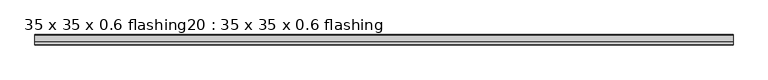
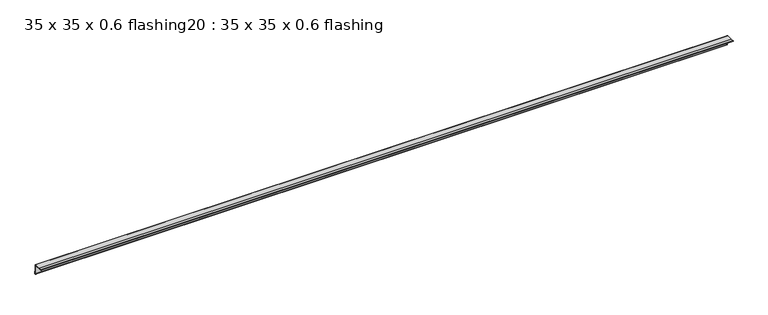
"""IFC4 building model written with IfcOpenShell, lengths in millimetres: proxy geometry, 35 x 35 x 0.6 flashing20 : 35 x 35 x 0.6 flashing."""

import ifcopenshell
import ifcopenshell.guid

model = None  # the IFC model being written
_history = None  # IfcOwnerHistory: only IFC2X3 demands one
_inside = {}  # id of a spatial element -> (the spatial element, [elements in it])
_under = {}  # id of a project, library or spatial element -> (it, [spatial elements below it])
_declared = {}  # id of a project -> (the project, [libraries it declares])
_typed = {}  # id of a type object -> (the type object, [elements of that type])
_made_of = {}  # id of a material, layer set ... -> (it, [elements and type objects made of it])


def new_model(schema):
    """Start an empty IFC model of exactly this schema.

    Asked for "IFC4X3", IfcOpenShell would pick the latest addendum, in which some entities
    have other attributes; the version numbers below select the first issue.
    IFC2X3 requires an IfcOwnerHistory on every rooted entity: one is made here for all.
    """
    global model, _history
    if schema == "IFC4X3":
        model = ifcopenshell.file(schema_version=(4, 3, 0, 0))
    else:
        model = ifcopenshell.file(schema=schema)
    _inside.clear()
    _under.clear()
    _declared.clear()
    _typed.clear()
    _made_of.clear()
    _history = None
    if model.schema == "IFC2X3":
        org = make("IfcOrganization", Name="unknown")
        user = make(
            "IfcPersonAndOrganization",
            ThePerson=make("IfcPerson", FamilyName="unknown"),
            TheOrganization=org,
        )
        app = make(
            "IfcApplication",
            ApplicationDeveloper=org,
            Version="unknown",
            ApplicationFullName="unknown",
            ApplicationIdentifier="unknown",
        )
        _history = make(
            "IfcOwnerHistory",
            OwningUser=user,
            OwningApplication=app,
            ChangeAction="ADDED",
            CreationDate=0,
        )
    return model


def make(cls, **values):
    """One entity of the class cls with the attributes given. An attribute that is None is left unset."""
    return model.create_entity(
        cls, **{name: value for name, value in values.items() if value is not None}
    )


def rooted(cls, **values):
    """An entity with a GlobalId (a new one), such as an element, a storey or a relation."""
    return make(cls, GlobalId=ifcopenshell.guid.new(), OwnerHistory=_history, **values)


def si_unit(unit_type, name, prefix=None):
    """IfcSIUnit, for example si_unit("LENGTHUNIT", "METRE", prefix="MILLI")."""
    return make("IfcSIUnit", UnitType=unit_type, Prefix=prefix, Name=name)


def assignment(units):
    """IfcUnitAssignment: the units of a project."""
    return None if units is None else make("IfcUnitAssignment", Units=units)


def point(xyz):
    """IfcCartesianPoint."""
    return None if xyz is None else make("IfcCartesianPoint", Coordinates=xyz)


def direction(xyz):
    """IfcDirection."""
    return None if xyz is None else make("IfcDirection", DirectionRatios=xyz)


def frame(location, z_axis=None, x_axis=None):
    """IfcAxis2Placement3D, a coordinate frame: its origin and axes. An axis left out is left unset."""
    return make(
        "IfcAxis2Placement3D",
        Location=point(location),
        Axis=direction(z_axis),
        RefDirection=direction(x_axis),
    )


def frame_2d(location, x_axis=None):
    """IfcAxis2Placement2D, a coordinate frame in the plane: its origin and x axis."""
    return make(
        "IfcAxis2Placement2D", Location=point(location), RefDirection=direction(x_axis)
    )


def origin():
    """The frame at (0, 0, 0) with its axes left unset."""
    return frame((0.0, 0.0, 0.0))


def place(relative_to, where):
    """IfcLocalPlacement: puts the frame where relative to a parent placement (None: the world)."""
    return make(
        "IfcLocalPlacement", PlacementRelTo=relative_to, RelativePlacement=where
    )


def context(
    kind, dimensions, precision=None, world=None, true_north=None, identifier=None
):
    """IfcGeometricRepresentationContext, for example the 3D "Model" context."""
    return make(
        "IfcGeometricRepresentationContext",
        ContextIdentifier=identifier,
        ContextType=kind,
        CoordinateSpaceDimension=dimensions,
        Precision=precision,
        WorldCoordinateSystem=world,
        TrueNorth=true_north,
    )


def project(units=None, contexts=None):
    """IfcProject with its units and contexts."""
    return rooted(
        "IfcProject",
        Name="project",
        RepresentationContexts=contexts,
        UnitsInContext=assignment(units),
    )


def spatial(cls, under=None, at=None, **own):
    """A site, building, storey or space (cls), placed at a placement, below another one or the project."""
    s = rooted(cls, ObjectPlacement=at, **own)
    if under is not None:
        _under.setdefault(under.id(), (under, []))[1].append(s)
    return s


def polyline(points):
    """IfcPolyline through the points."""
    return make("IfcPolyline", Points=[point(p) for p in points])


def circle_curve(where, radius):
    """IfcCircle in the frame where."""
    return make("IfcCircle", Position=where, Radius=radius)


def trimmed(basis, trim1, trim2, sense, master):
    """IfcTrimmedCurve: the piece of a basis curve between two trims."""
    return make(
        "IfcTrimmedCurve",
        BasisCurve=basis,
        Trim1=trim1,
        Trim2=trim2,
        SenseAgreement=sense,
        MasterRepresentation=master,
    )


def segment(curve, same_sense, transition):
    """IfcCompositeCurveSegment."""
    return make(
        "IfcCompositeCurveSegment",
        Transition=transition,
        SameSense=same_sense,
        ParentCurve=curve,
    )


def composite_curve(segments, self_intersect=None):
    """IfcCompositeCurve: segments joined end to end."""
    return make("IfcCompositeCurve", Segments=segments, SelfIntersect=self_intersect)


def outline(outer, holes=None, kind="AREA"):
    """IfcArbitraryClosedProfileDef: a profile drawn as a closed curve; with holes, ...WithVoids."""
    if holes is None:
        return make("IfcArbitraryClosedProfileDef", ProfileType=kind, OuterCurve=outer)
    return make(
        "IfcArbitraryProfileDefWithVoids",
        ProfileType=kind,
        OuterCurve=outer,
        InnerCurves=holes,
    )


def extrude(swept, where, along, depth):
    """IfcExtrudedAreaSolid: the profile swept, set in the frame where, extruded along a direction by depth."""
    return make(
        "IfcExtrudedAreaSolid",
        SweptArea=swept,
        Position=where,
        ExtrudedDirection=direction(along),
        Depth=depth,
    )


def shape(context_of_items, identifier, shape_type, items):
    """IfcShapeRepresentation: the items that make up one representation, for example the "Body"."""
    return make(
        "IfcShapeRepresentation",
        ContextOfItems=context_of_items,
        RepresentationIdentifier=identifier,
        RepresentationType=shape_type,
        Items=items,
    )


def source(mapping_origin, context_of_items, identifier, shape_type, items):
    """IfcRepresentationMap: a shape defined once, which mapped items show again and again."""
    return make(
        "IfcRepresentationMap",
        MappingOrigin=mapping_origin,
        MappedRepresentation=shape(context_of_items, identifier, shape_type, items),
    )


def transform(
    local_origin,
    x_axis=None,
    y_axis=None,
    z_axis=None,
    scale=None,
    scale2=None,
    scale3=None,
    uniform=True,
):
    """IfcCartesianTransformationOperator3D, or its non-uniform kind. x_axis, y_axis, z_axis: its Axis1, 2, 3."""
    if uniform:
        return make(
            "IfcCartesianTransformationOperator3D",
            Axis1=direction(x_axis),
            Axis2=direction(y_axis),
            LocalOrigin=point(local_origin),
            Scale=scale,
            Axis3=direction(z_axis),
        )
    return make(
        "IfcCartesianTransformationOperator3DnonUniform",
        Axis1=direction(x_axis),
        Axis2=direction(y_axis),
        LocalOrigin=point(local_origin),
        Scale=scale,
        Axis3=direction(z_axis),
        Scale2=scale2,
        Scale3=scale3,
    )


def mapped(mapping_source, mapping_target):
    """IfcMappedItem: shows the shape of a source again, moved by a transform."""
    return make(
        "IfcMappedItem", MappingSource=mapping_source, MappingTarget=mapping_target
    )


def made_of(thing, what):
    """Note that an element or type object is made of a material, layer set ...; save() writes the relation."""
    if what is not None:
        _made_of.setdefault(what.id(), (what, []))[1].append(thing)
    return thing


def element(
    cls,
    number,
    at=None,
    inside=None,
    cuts=None,
    type_object=None,
    material=None,
    context=None,
    identifier="Body",
    shape_type=None,
    held_by="IfcProductDefinitionShape",
    body=None,
    shapes=None,
    **own,
):
    """One element of the class cls, such as IfcWall. Its Tag is "e" and its number.

    at: its placement. inside: the storey or other place that contains it. cuts: it is an
    opening in that element (IfcRelVoidsElement). A single representation is given by context,
    identifier, shape_type and body (its items); several are given by shapes. held_by: the class
    of the entity that holds the representations. save() writes the other relations.
    """
    e = rooted(cls, Tag="e%d" % number, ObjectPlacement=at, **own)
    if body is not None:
        shapes = [shape(context, identifier, shape_type, body)]
    if shapes is not None:
        e.Representation = make(held_by, Representations=shapes)
    if inside is not None:
        _inside.setdefault(inside.id(), (inside, []))[1].append(e)
    if cuts is not None:
        rooted(
            "IfcRelVoidsElement", RelatingBuildingElement=cuts, RelatedOpeningElement=e
        )
    if type_object is not None:
        _typed.setdefault(type_object.id(), (type_object, []))[1].append(e)
    return made_of(e, material)


def aggregate(whole, parts):
    """IfcRelAggregates: a whole, such as a stair, and the parts it consists of."""
    return rooted("IfcRelAggregates", RelatingObject=whole, RelatedObjects=parts)


def save(model, path):
    """Write the relations noted so far, then the file.

    IfcRelAggregates (storeys below a building ...), IfcRelContainedInSpatialStructure (elements
    in a storey), IfcRelDefinesByType, IfcRelAssociatesMaterial and IfcRelDeclares: one each for
    every whole, place, type object, material and project.
    """
    for whole, parts in _under.values():
        aggregate(whole, parts)
    for where, things in _inside.values():
        rooted(
            "IfcRelContainedInSpatialStructure",
            RelatedElements=things,
            RelatingStructure=where,
        )
    for kind, things in _typed.values():
        rooted("IfcRelDefinesByType", RelatedObjects=things, RelatingType=kind)
    for what, things in _made_of.values():
        rooted("IfcRelAssociatesMaterial", RelatedObjects=things, RelatingMaterial=what)
    for by, libraries in _declared.values():
        rooted("IfcRelDeclares", RelatingContext=by, RelatedDefinitions=libraries)
    model.write(path)


def proxy_35_x_35_x_0_6_flashing20_35_x_35_x_0_6_flashing_ebd32110(model_context):
    return source(origin(), model_context, "Body", "SweptSolid", [
        extrude(outline(composite_curve([segment(polyline([(-10430.3538523, 1425.3887139), (-10407.8538523, 1425.3887139)]), True, "CONTINUOUS"), segment(trimmed(circle_curve(frame_2d((-10407.8538523, 1422.8887139)), 2.5), [point((-10407.8538523, 1425.3887139))], [point((-10405.3538523, 1422.8887139))], False, "CARTESIAN"), True, "CONTINUOUS"), segment(polyline([(-10405.3538523, 1422.8887139), (-10405.3538523, 1400.3887139), (-10404.3538523, 1400.3887139), (-10404.3538523, 1391.3560365)]), True, "CONTINUOUS"), segment(trimmed(circle_curve(frame_2d((-10405.3538523, 1391.3560365)), 1.0), [point((-10404.3538523, 1391.3560365))], [point((-10406.3538523, 1391.3560365))], False, "CARTESIAN"), True, "CONTINUOUS"), segment(polyline([(-10406.3538523, 1391.3560365), (-10406.3538523, 1422.8887139)]), True, "CONTINUOUS"), segment(trimmed(circle_curve(frame_2d((-10407.8538523, 1422.8887139)), 1.5), [point((-10406.3538523, 1422.8887139))], [point((-10407.8538523, 1424.3887139))], True, "CARTESIAN"), True, "CONTINUOUS"), segment(polyline([(-10407.8538523, 1424.3887139), (-10439.3556364, 1424.3887139)]), True, "CONTINUOUS"), segment(trimmed(circle_curve(frame_2d((-10439.3556364, 1425.3887139)), 1.0), [point((-10439.3556364, 1424.3887139))], [point((-10439.3556364, 1426.3887139))], False, "CARTESIAN"), True, "CONTINUOUS"), segment(polyline([(-10439.3556364, 1426.3887139), (-10430.3538523, 1426.3887139), (-10430.3538523, 1425.3887139)]), True, "CONTINUOUS")], self_intersect=False)), frame((-10619.6640929, 0.0, 0.0), z_axis=(1.0, 0.0, 0.0), x_axis=(0.0, 1.0, 0.0)), (0.0, 0.0, 1.0), 2410.6438934),
    ])


if __name__ == "__main__":
    model = new_model("IFC4")
    model_context = context("Model", 3, world=origin())
    ifc_project = project(units=[si_unit("LENGTHUNIT", "METRE", prefix="MILLI")], contexts=[model_context])
    site = spatial("IfcSite", under=ifc_project)
    building = spatial("IfcBuilding", under=site)
    placement = place(None, origin())
    proxy_35_x_35_x_0_6_flashing20_35_x_35_x_0_6_flashing_shape = proxy_35_x_35_x_0_6_flashing20_35_x_35_x_0_6_flashing_ebd32110(model_context)
    element("IfcBuildingElementProxy", 1, Name="35 x 35 x 0.6 flashing20 : 35 x 35 x 0.6 flashing", ObjectType="35 x 35 x 0.6 flashing20 : 35 x 35 x 0.6 flashing", at=placement, inside=building, context=model_context, shape_type="MappedRepresentation", body=[
        mapped(proxy_35_x_35_x_0_6_flashing20_35_x_35_x_0_6_flashing_shape, transform((0.0, 0.0, 0.0), x_axis=(1.0, 0.0, 0.0), y_axis=(0.0, 1.0, 0.0), z_axis=(0.0, 0.0, 1.0))),
    ])
    save(model, "model.ifc")
